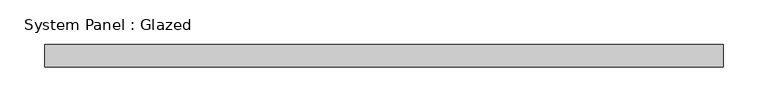
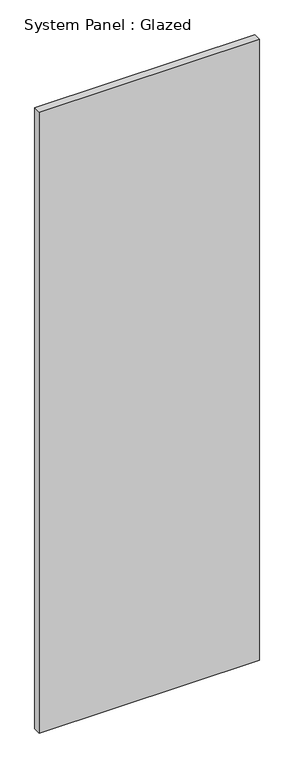
"""IFC4 building model written with IfcOpenShell, lengths in millimetres: plate geometry, System Panel : Glazed."""

from ifc_helpers import new_model, si_unit, origin, origin_with_axes, place, context, project, spatial, polyline, outline, extrude, source, transform, mapped, element, save


def system_panel_glazed_202bb8c7(model_context):
    return source(origin(), model_context, "Body", "SweptSolid", [
        extrude(outline(polyline([(381.0000002, 19.05), (-381.0000002, 19.05), (-381.0000002, 44.45), (381.0000002, 44.45), (381.0000002, 19.05)])), origin_with_axes(), (0.0, 0.0, 1.0), 2270.125),
    ])


if __name__ == "__main__":
    model = new_model("IFC4")
    model_context = context("Model", 3, world=origin())
    ifc_project = project(units=[si_unit("LENGTHUNIT", "METRE", prefix="MILLI")], contexts=[model_context])
    site = spatial("IfcSite", under=ifc_project)
    building = spatial("IfcBuilding", under=site)
    placement = place(None, origin())
    system_panel_glazed_shape = system_panel_glazed_202bb8c7(model_context)
    element("IfcPlate", 1, ObjectType="System Panel : Glazed", at=placement, inside=building, context=model_context, shape_type="MappedRepresentation", body=[
        mapped(system_panel_glazed_shape, transform((0.0, 0.0, 0.0), x_axis=(1.0, 0.0, 0.0), y_axis=(0.0, 1.0, 0.0), z_axis=(0.0, 0.0, 1.0))),
    ])
    save(model, "model.ifc")
